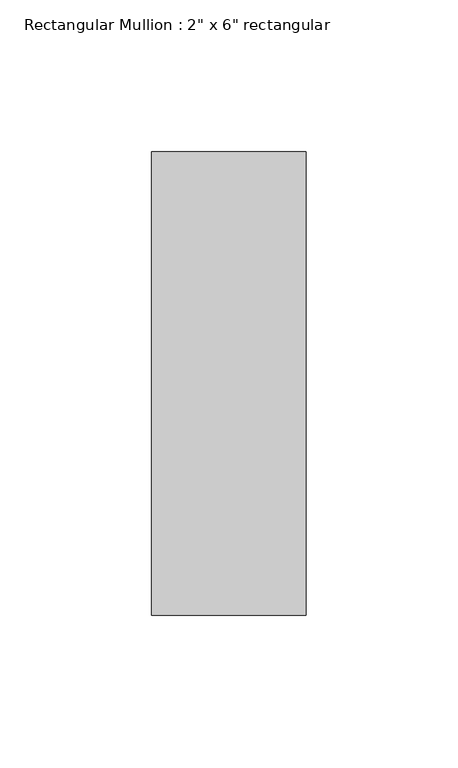
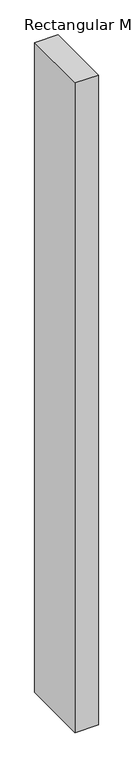
"""IFC4 building model written with IfcOpenShell, lengths in millimetres: member geometry."""

from ifc_helpers import new_model, si_unit, frame, origin, place, context, project, spatial, polyline, outline, extrude, source, transform, mapped, element, save


def member_844ab144(model_context):
    return source(origin(), model_context, "Body", "SweptSolid", [
        extrude(outline(polyline([(0.0, 76.2), (0.0, -76.2), (-50.8, -76.2), (-50.8, 76.2), (0.0, 76.2)])), frame((0.0, 0.0, -1499.049103), z_axis=(0.0, 0.0, 1.0), x_axis=(1.0, 0.0, 0.0)), (0.0, 0.0, 1.0), 1499.049103),
    ])


if __name__ == "__main__":
    model = new_model("IFC4")
    model_context = context("Model", 3, world=origin())
    ifc_project = project(units=[si_unit("LENGTHUNIT", "METRE", prefix="MILLI")], contexts=[model_context])
    site = spatial("IfcSite", under=ifc_project)
    building = spatial("IfcBuilding", under=site)
    placement = place(None, origin())
    member_shape = member_844ab144(model_context)
    element("IfcMember", 1, ObjectType="Rectangular Mullion : 2\" x 6\" rectangular", at=placement, inside=building, context=model_context, shape_type="MappedRepresentation", body=[
        mapped(member_shape, transform((0.0, 0.0, 0.0), x_axis=(1.0, 0.0, 0.0), y_axis=(0.0, 1.0, 0.0), z_axis=(0.0, 0.0, 1.0))),
    ])
    save(model, "model.ifc")
